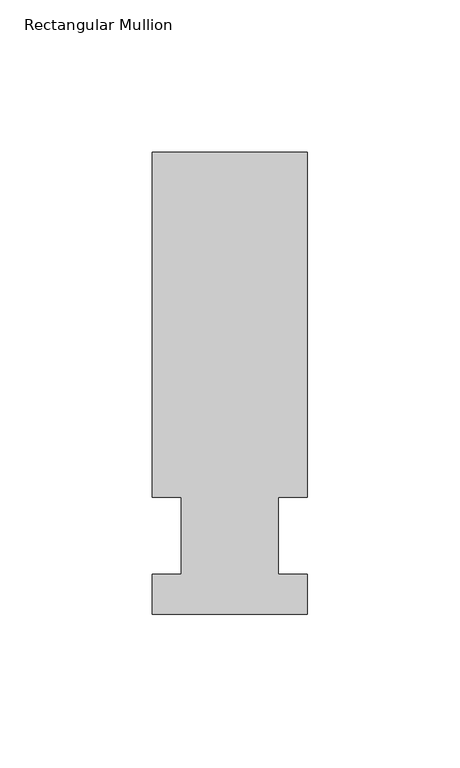
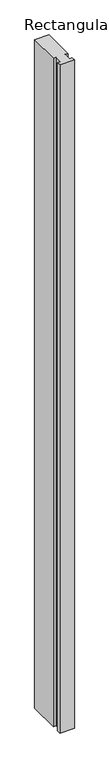
"""IFC4 building model written with IfcOpenShell, lengths in millimetres: member geometry, Rectangular Mullion."""

import ifcopenshell
import ifcopenshell.guid

model = None  # the IFC model being written
_history = None  # IfcOwnerHistory: only IFC2X3 demands one
_inside = {}  # id of a spatial element -> (the spatial element, [elements in it])
_under = {}  # id of a project, library or spatial element -> (it, [spatial elements below it])
_declared = {}  # id of a project -> (the project, [libraries it declares])
_typed = {}  # id of a type object -> (the type object, [elements of that type])
_made_of = {}  # id of a material, layer set ... -> (it, [elements and type objects made of it])


def new_model(schema):
    """Start an empty IFC model of exactly this schema.

    Asked for "IFC4X3", IfcOpenShell would pick the latest addendum, in which some entities
    have other attributes; the version numbers below select the first issue.
    IFC2X3 requires an IfcOwnerHistory on every rooted entity: one is made here for all.
    """
    global model, _history
    if schema == "IFC4X3":
        model = ifcopenshell.file(schema_version=(4, 3, 0, 0))
    else:
        model = ifcopenshell.file(schema=schema)
    _inside.clear()
    _under.clear()
    _declared.clear()
    _typed.clear()
    _made_of.clear()
    _history = None
    if model.schema == "IFC2X3":
        org = make("IfcOrganization", Name="unknown")
        user = make(
            "IfcPersonAndOrganization",
            ThePerson=make("IfcPerson", FamilyName="unknown"),
            TheOrganization=org,
        )
        app = make(
            "IfcApplication",
            ApplicationDeveloper=org,
            Version="unknown",
            ApplicationFullName="unknown",
            ApplicationIdentifier="unknown",
        )
        _history = make(
            "IfcOwnerHistory",
            OwningUser=user,
            OwningApplication=app,
            ChangeAction="ADDED",
            CreationDate=0,
        )
    return model


def make(cls, **values):
    """One entity of the class cls with the attributes given. An attribute that is None is left unset."""
    return model.create_entity(
        cls, **{name: value for name, value in values.items() if value is not None}
    )


def rooted(cls, **values):
    """An entity with a GlobalId (a new one), such as an element, a storey or a relation."""
    return make(cls, GlobalId=ifcopenshell.guid.new(), OwnerHistory=_history, **values)


def si_unit(unit_type, name, prefix=None):
    """IfcSIUnit, for example si_unit("LENGTHUNIT", "METRE", prefix="MILLI")."""
    return make("IfcSIUnit", UnitType=unit_type, Prefix=prefix, Name=name)


def assignment(units):
    """IfcUnitAssignment: the units of a project."""
    return None if units is None else make("IfcUnitAssignment", Units=units)


def point(xyz):
    """IfcCartesianPoint."""
    return None if xyz is None else make("IfcCartesianPoint", Coordinates=xyz)


def direction(xyz):
    """IfcDirection."""
    return None if xyz is None else make("IfcDirection", DirectionRatios=xyz)


def frame(location, z_axis=None, x_axis=None):
    """IfcAxis2Placement3D, a coordinate frame: its origin and axes. An axis left out is left unset."""
    return make(
        "IfcAxis2Placement3D",
        Location=point(location),
        Axis=direction(z_axis),
        RefDirection=direction(x_axis),
    )


def origin():
    """The frame at (0, 0, 0) with its axes left unset."""
    return frame((0.0, 0.0, 0.0))


def place(relative_to, where):
    """IfcLocalPlacement: puts the frame where relative to a parent placement (None: the world)."""
    return make(
        "IfcLocalPlacement", PlacementRelTo=relative_to, RelativePlacement=where
    )


def context(
    kind, dimensions, precision=None, world=None, true_north=None, identifier=None
):
    """IfcGeometricRepresentationContext, for example the 3D "Model" context."""
    return make(
        "IfcGeometricRepresentationContext",
        ContextIdentifier=identifier,
        ContextType=kind,
        CoordinateSpaceDimension=dimensions,
        Precision=precision,
        WorldCoordinateSystem=world,
        TrueNorth=true_north,
    )


def project(units=None, contexts=None):
    """IfcProject with its units and contexts."""
    return rooted(
        "IfcProject",
        Name="project",
        RepresentationContexts=contexts,
        UnitsInContext=assignment(units),
    )


def spatial(cls, under=None, at=None, **own):
    """A site, building, storey or space (cls), placed at a placement, below another one or the project."""
    s = rooted(cls, ObjectPlacement=at, **own)
    if under is not None:
        _under.setdefault(under.id(), (under, []))[1].append(s)
    return s


def polyline(points):
    """IfcPolyline through the points."""
    return make("IfcPolyline", Points=[point(p) for p in points])


def outline(outer, holes=None, kind="AREA"):
    """IfcArbitraryClosedProfileDef: a profile drawn as a closed curve; with holes, ...WithVoids."""
    if holes is None:
        return make("IfcArbitraryClosedProfileDef", ProfileType=kind, OuterCurve=outer)
    return make(
        "IfcArbitraryProfileDefWithVoids",
        ProfileType=kind,
        OuterCurve=outer,
        InnerCurves=holes,
    )


def extrude(swept, where, along, depth):
    """IfcExtrudedAreaSolid: the profile swept, set in the frame where, extruded along a direction by depth."""
    return make(
        "IfcExtrudedAreaSolid",
        SweptArea=swept,
        Position=where,
        ExtrudedDirection=direction(along),
        Depth=depth,
    )


def shape(context_of_items, identifier, shape_type, items):
    """IfcShapeRepresentation: the items that make up one representation, for example the "Body"."""
    return make(
        "IfcShapeRepresentation",
        ContextOfItems=context_of_items,
        RepresentationIdentifier=identifier,
        RepresentationType=shape_type,
        Items=items,
    )


def source(mapping_origin, context_of_items, identifier, shape_type, items):
    """IfcRepresentationMap: a shape defined once, which mapped items show again and again."""
    return make(
        "IfcRepresentationMap",
        MappingOrigin=mapping_origin,
        MappedRepresentation=shape(context_of_items, identifier, shape_type, items),
    )


def transform(
    local_origin,
    x_axis=None,
    y_axis=None,
    z_axis=None,
    scale=None,
    scale2=None,
    scale3=None,
    uniform=True,
):
    """IfcCartesianTransformationOperator3D, or its non-uniform kind. x_axis, y_axis, z_axis: its Axis1, 2, 3."""
    if uniform:
        return make(
            "IfcCartesianTransformationOperator3D",
            Axis1=direction(x_axis),
            Axis2=direction(y_axis),
            LocalOrigin=point(local_origin),
            Scale=scale,
            Axis3=direction(z_axis),
        )
    return make(
        "IfcCartesianTransformationOperator3DnonUniform",
        Axis1=direction(x_axis),
        Axis2=direction(y_axis),
        LocalOrigin=point(local_origin),
        Scale=scale,
        Axis3=direction(z_axis),
        Scale2=scale2,
        Scale3=scale3,
    )


def mapped(mapping_source, mapping_target):
    """IfcMappedItem: shows the shape of a source again, moved by a transform."""
    return make(
        "IfcMappedItem", MappingSource=mapping_source, MappingTarget=mapping_target
    )


def made_of(thing, what):
    """Note that an element or type object is made of a material, layer set ...; save() writes the relation."""
    if what is not None:
        _made_of.setdefault(what.id(), (what, []))[1].append(thing)
    return thing


def element(
    cls,
    number,
    at=None,
    inside=None,
    cuts=None,
    type_object=None,
    material=None,
    context=None,
    identifier="Body",
    shape_type=None,
    held_by="IfcProductDefinitionShape",
    body=None,
    shapes=None,
    **own,
):
    """One element of the class cls, such as IfcWall. Its Tag is "e" and its number.

    at: its placement. inside: the storey or other place that contains it. cuts: it is an
    opening in that element (IfcRelVoidsElement). A single representation is given by context,
    identifier, shape_type and body (its items); several are given by shapes. held_by: the class
    of the entity that holds the representations. save() writes the other relations.
    """
    e = rooted(cls, Tag="e%d" % number, ObjectPlacement=at, **own)
    if body is not None:
        shapes = [shape(context, identifier, shape_type, body)]
    if shapes is not None:
        e.Representation = make(held_by, Representations=shapes)
    if inside is not None:
        _inside.setdefault(inside.id(), (inside, []))[1].append(e)
    if cuts is not None:
        rooted(
            "IfcRelVoidsElement", RelatingBuildingElement=cuts, RelatedOpeningElement=e
        )
    if type_object is not None:
        _typed.setdefault(type_object.id(), (type_object, []))[1].append(e)
    return made_of(e, material)


def aggregate(whole, parts):
    """IfcRelAggregates: a whole, such as a stair, and the parts it consists of."""
    return rooted("IfcRelAggregates", RelatingObject=whole, RelatedObjects=parts)


def save(model, path):
    """Write the relations noted so far, then the file.

    IfcRelAggregates (storeys below a building ...), IfcRelContainedInSpatialStructure (elements
    in a storey), IfcRelDefinesByType, IfcRelAssociatesMaterial and IfcRelDeclares: one each for
    every whole, place, type object, material and project.
    """
    for whole, parts in _under.values():
        aggregate(whole, parts)
    for where, things in _inside.values():
        rooted(
            "IfcRelContainedInSpatialStructure",
            RelatedElements=things,
            RelatingStructure=where,
        )
    for kind, things in _typed.values():
        rooted("IfcRelDefinesByType", RelatedObjects=things, RelatingType=kind)
    for what, things in _made_of.values():
        rooted("IfcRelAssociatesMaterial", RelatedObjects=things, RelatingMaterial=what)
    for by, libraries in _declared.values():
        rooted("IfcRelDeclares", RelatingContext=by, RelatedDefinitions=libraries)
    model.write(path)


def rectangular_mullion_5ab8eac7(model_context):
    return source(origin(), model_context, "Body", "SweptSolid", [
        extrude(outline(polyline([(-25.4, -25.796875), (-25.4, -12.7), (-15.875, -12.7), (-15.875, 12.7), (-25.4, 12.7), (-25.4, 125.809375), (25.4, 125.809375), (25.4, 12.7), (15.875, 12.7), (15.875, -12.7), (25.4, -12.7), (25.4, -25.796875), (-25.4, -25.796875)])), frame((0.0, 0.0, -2463.8), z_axis=(0.0, 0.0, 1.0), x_axis=(1.0, 0.0, 0.0)), (0.0, 0.0, 1.0), 2463.8),
    ])


if __name__ == "__main__":
    model = new_model("IFC4")
    model_context = context("Model", 3, world=origin())
    ifc_project = project(units=[si_unit("LENGTHUNIT", "METRE", prefix="MILLI")], contexts=[model_context])
    site = spatial("IfcSite", under=ifc_project)
    building = spatial("IfcBuilding", under=site)
    placement = place(None, origin())
    rectangular_mullion_shape = rectangular_mullion_5ab8eac7(model_context)
    element("IfcMember", 1, ObjectType="Rectangular Mullion", at=placement, inside=building, context=model_context, shape_type="MappedRepresentation", body=[
        mapped(rectangular_mullion_shape, transform((0.0, 0.0, 0.0), x_axis=(1.0, 0.0, 0.0), y_axis=(0.0, 1.0, 0.0), z_axis=(0.0, 0.0, 1.0))),
    ])
    save(model, "model.ifc")
